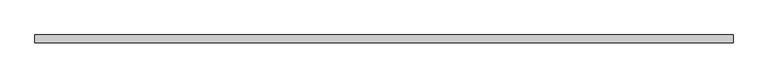
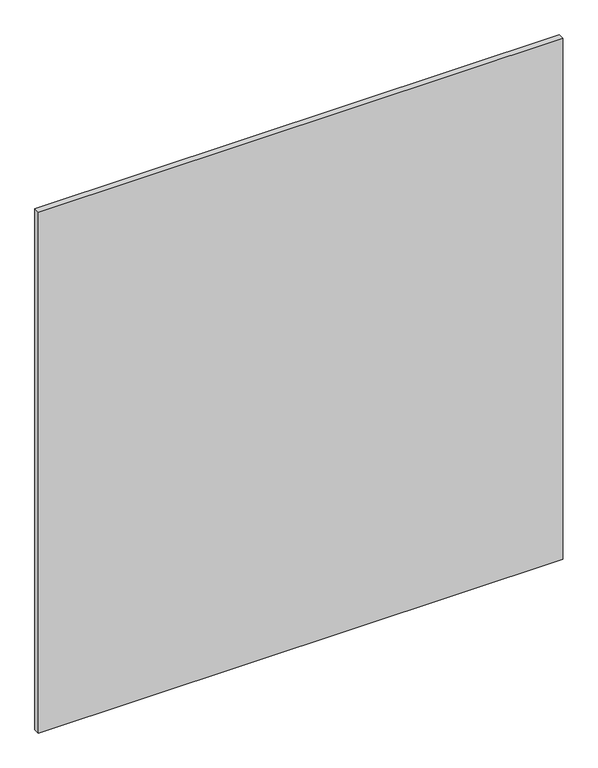
"""IFC4 building model written with IfcOpenShell, lengths in millimetres: plate geometry."""

from ifc_helpers import new_model, si_unit, origin, origin_with_axes, place, context, project, spatial, polyline, outline, extrude, source, transform, mapped, element, save


def plate_b9cae6f1(model_context):
    return source(origin(), model_context, "Body", "SweptSolid", [
        extrude(outline(polyline([(616.65, -40.2), (-616.65, -40.2), (-616.65, -26.2), (616.65, -26.2), (616.65, -40.2)])), origin_with_axes(), (0.0, 0.0, 1.0), 1295.5),
    ])


if __name__ == "__main__":
    model = new_model("IFC4")
    model_context = context("Model", 3, world=origin())
    ifc_project = project(units=[si_unit("LENGTHUNIT", "METRE", prefix="MILLI")], contexts=[model_context])
    site = spatial("IfcSite", under=ifc_project)
    building = spatial("IfcBuilding", under=site)
    placement = place(None, origin())
    plate_shape = plate_b9cae6f1(model_context)
    element("IfcPlate", 1, at=placement, inside=building, context=model_context, shape_type="MappedRepresentation", body=[
        mapped(plate_shape, transform((0.0, 0.0, 0.0), x_axis=(1.0, 0.0, 0.0), y_axis=(0.0, 1.0, 0.0), z_axis=(0.0, 0.0, 1.0))),
    ])
    save(model, "model.ifc")
